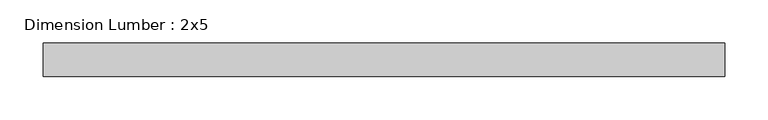
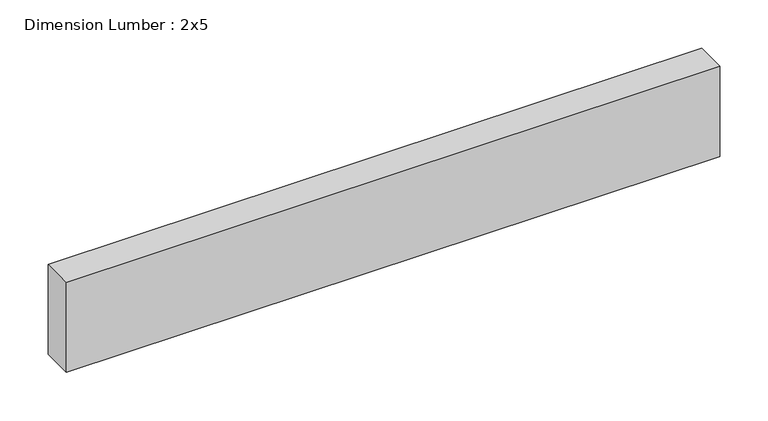
"""IFC4 building model written with IfcOpenShell, lengths in millimetres: beam geometry, Dimension Lumber : 2x5."""

import ifcopenshell
import ifcopenshell.guid

model = None  # the IFC model being written
_history = None  # IfcOwnerHistory: only IFC2X3 demands one
_inside = {}  # id of a spatial element -> (the spatial element, [elements in it])
_under = {}  # id of a project, library or spatial element -> (it, [spatial elements below it])
_declared = {}  # id of a project -> (the project, [libraries it declares])
_typed = {}  # id of a type object -> (the type object, [elements of that type])
_made_of = {}  # id of a material, layer set ... -> (it, [elements and type objects made of it])


def new_model(schema):
    """Start an empty IFC model of exactly this schema.

    Asked for "IFC4X3", IfcOpenShell would pick the latest addendum, in which some entities
    have other attributes; the version numbers below select the first issue.
    IFC2X3 requires an IfcOwnerHistory on every rooted entity: one is made here for all.
    """
    global model, _history
    if schema == "IFC4X3":
        model = ifcopenshell.file(schema_version=(4, 3, 0, 0))
    else:
        model = ifcopenshell.file(schema=schema)
    _inside.clear()
    _under.clear()
    _declared.clear()
    _typed.clear()
    _made_of.clear()
    _history = None
    if model.schema == "IFC2X3":
        org = make("IfcOrganization", Name="unknown")
        user = make(
            "IfcPersonAndOrganization",
            ThePerson=make("IfcPerson", FamilyName="unknown"),
            TheOrganization=org,
        )
        app = make(
            "IfcApplication",
            ApplicationDeveloper=org,
            Version="unknown",
            ApplicationFullName="unknown",
            ApplicationIdentifier="unknown",
        )
        _history = make(
            "IfcOwnerHistory",
            OwningUser=user,
            OwningApplication=app,
            ChangeAction="ADDED",
            CreationDate=0,
        )
    return model


def make(cls, **values):
    """One entity of the class cls with the attributes given. An attribute that is None is left unset."""
    return model.create_entity(
        cls, **{name: value for name, value in values.items() if value is not None}
    )


def rooted(cls, **values):
    """An entity with a GlobalId (a new one), such as an element, a storey or a relation."""
    return make(cls, GlobalId=ifcopenshell.guid.new(), OwnerHistory=_history, **values)


def si_unit(unit_type, name, prefix=None):
    """IfcSIUnit, for example si_unit("LENGTHUNIT", "METRE", prefix="MILLI")."""
    return make("IfcSIUnit", UnitType=unit_type, Prefix=prefix, Name=name)


def assignment(units):
    """IfcUnitAssignment: the units of a project."""
    return None if units is None else make("IfcUnitAssignment", Units=units)


def point(xyz):
    """IfcCartesianPoint."""
    return None if xyz is None else make("IfcCartesianPoint", Coordinates=xyz)


def direction(xyz):
    """IfcDirection."""
    return None if xyz is None else make("IfcDirection", DirectionRatios=xyz)


def frame(location, z_axis=None, x_axis=None):
    """IfcAxis2Placement3D, a coordinate frame: its origin and axes. An axis left out is left unset."""
    return make(
        "IfcAxis2Placement3D",
        Location=point(location),
        Axis=direction(z_axis),
        RefDirection=direction(x_axis),
    )


def origin():
    """The frame at (0, 0, 0) with its axes left unset."""
    return frame((0.0, 0.0, 0.0))


def place(relative_to, where):
    """IfcLocalPlacement: puts the frame where relative to a parent placement (None: the world)."""
    return make(
        "IfcLocalPlacement", PlacementRelTo=relative_to, RelativePlacement=where
    )


def context(
    kind, dimensions, precision=None, world=None, true_north=None, identifier=None
):
    """IfcGeometricRepresentationContext, for example the 3D "Model" context."""
    return make(
        "IfcGeometricRepresentationContext",
        ContextIdentifier=identifier,
        ContextType=kind,
        CoordinateSpaceDimension=dimensions,
        Precision=precision,
        WorldCoordinateSystem=world,
        TrueNorth=true_north,
    )


def project(units=None, contexts=None):
    """IfcProject with its units and contexts."""
    return rooted(
        "IfcProject",
        Name="project",
        RepresentationContexts=contexts,
        UnitsInContext=assignment(units),
    )


def spatial(cls, under=None, at=None, **own):
    """A site, building, storey or space (cls), placed at a placement, below another one or the project."""
    s = rooted(cls, ObjectPlacement=at, **own)
    if under is not None:
        _under.setdefault(under.id(), (under, []))[1].append(s)
    return s


def polyline(points):
    """IfcPolyline through the points."""
    return make("IfcPolyline", Points=[point(p) for p in points])


def outline(outer, holes=None, kind="AREA"):
    """IfcArbitraryClosedProfileDef: a profile drawn as a closed curve; with holes, ...WithVoids."""
    if holes is None:
        return make("IfcArbitraryClosedProfileDef", ProfileType=kind, OuterCurve=outer)
    return make(
        "IfcArbitraryProfileDefWithVoids",
        ProfileType=kind,
        OuterCurve=outer,
        InnerCurves=holes,
    )


def extrude(swept, where, along, depth):
    """IfcExtrudedAreaSolid: the profile swept, set in the frame where, extruded along a direction by depth."""
    return make(
        "IfcExtrudedAreaSolid",
        SweptArea=swept,
        Position=where,
        ExtrudedDirection=direction(along),
        Depth=depth,
    )


def shape(context_of_items, identifier, shape_type, items):
    """IfcShapeRepresentation: the items that make up one representation, for example the "Body"."""
    return make(
        "IfcShapeRepresentation",
        ContextOfItems=context_of_items,
        RepresentationIdentifier=identifier,
        RepresentationType=shape_type,
        Items=items,
    )


def source(mapping_origin, context_of_items, identifier, shape_type, items):
    """IfcRepresentationMap: a shape defined once, which mapped items show again and again."""
    return make(
        "IfcRepresentationMap",
        MappingOrigin=mapping_origin,
        MappedRepresentation=shape(context_of_items, identifier, shape_type, items),
    )


def transform(
    local_origin,
    x_axis=None,
    y_axis=None,
    z_axis=None,
    scale=None,
    scale2=None,
    scale3=None,
    uniform=True,
):
    """IfcCartesianTransformationOperator3D, or its non-uniform kind. x_axis, y_axis, z_axis: its Axis1, 2, 3."""
    if uniform:
        return make(
            "IfcCartesianTransformationOperator3D",
            Axis1=direction(x_axis),
            Axis2=direction(y_axis),
            LocalOrigin=point(local_origin),
            Scale=scale,
            Axis3=direction(z_axis),
        )
    return make(
        "IfcCartesianTransformationOperator3DnonUniform",
        Axis1=direction(x_axis),
        Axis2=direction(y_axis),
        LocalOrigin=point(local_origin),
        Scale=scale,
        Axis3=direction(z_axis),
        Scale2=scale2,
        Scale3=scale3,
    )


def mapped(mapping_source, mapping_target):
    """IfcMappedItem: shows the shape of a source again, moved by a transform."""
    return make(
        "IfcMappedItem", MappingSource=mapping_source, MappingTarget=mapping_target
    )


def made_of(thing, what):
    """Note that an element or type object is made of a material, layer set ...; save() writes the relation."""
    if what is not None:
        _made_of.setdefault(what.id(), (what, []))[1].append(thing)
    return thing


def element(
    cls,
    number,
    at=None,
    inside=None,
    cuts=None,
    type_object=None,
    material=None,
    context=None,
    identifier="Body",
    shape_type=None,
    held_by="IfcProductDefinitionShape",
    body=None,
    shapes=None,
    **own,
):
    """One element of the class cls, such as IfcWall. Its Tag is "e" and its number.

    at: its placement. inside: the storey or other place that contains it. cuts: it is an
    opening in that element (IfcRelVoidsElement). A single representation is given by context,
    identifier, shape_type and body (its items); several are given by shapes. held_by: the class
    of the entity that holds the representations. save() writes the other relations.
    """
    e = rooted(cls, Tag="e%d" % number, ObjectPlacement=at, **own)
    if body is not None:
        shapes = [shape(context, identifier, shape_type, body)]
    if shapes is not None:
        e.Representation = make(held_by, Representations=shapes)
    if inside is not None:
        _inside.setdefault(inside.id(), (inside, []))[1].append(e)
    if cuts is not None:
        rooted(
            "IfcRelVoidsElement", RelatingBuildingElement=cuts, RelatedOpeningElement=e
        )
    if type_object is not None:
        _typed.setdefault(type_object.id(), (type_object, []))[1].append(e)
    return made_of(e, material)


def aggregate(whole, parts):
    """IfcRelAggregates: a whole, such as a stair, and the parts it consists of."""
    return rooted("IfcRelAggregates", RelatingObject=whole, RelatedObjects=parts)


def save(model, path):
    """Write the relations noted so far, then the file.

    IfcRelAggregates (storeys below a building ...), IfcRelContainedInSpatialStructure (elements
    in a storey), IfcRelDefinesByType, IfcRelAssociatesMaterial and IfcRelDeclares: one each for
    every whole, place, type object, material and project.
    """
    for whole, parts in _under.values():
        aggregate(whole, parts)
    for where, things in _inside.values():
        rooted(
            "IfcRelContainedInSpatialStructure",
            RelatedElements=things,
            RelatingStructure=where,
        )
    for kind, things in _typed.values():
        rooted("IfcRelDefinesByType", RelatedObjects=things, RelatingType=kind)
    for what, things in _made_of.values():
        rooted("IfcRelAssociatesMaterial", RelatedObjects=things, RelatingMaterial=what)
    for by, libraries in _declared.values():
        rooted("IfcRelDeclares", RelatingContext=by, RelatedDefinitions=libraries)
    model.write(path)


def dimension_lumber_2x5_103da951(model_context):
    return source(origin(), model_context, "Body", "SweptSolid", [
        extrude(outline(polyline([(391.7842514, 19.05), (391.7842514, -19.05), (-391.7842514, -19.05), (-391.7842514, 19.05), (391.7842514, 19.05)])), frame((0.0, 0.0, -57.15), z_axis=(0.0, 0.0, 1.0), x_axis=(1.0, 0.0, 0.0)), (0.0, 0.0, 1.0), 114.3),
    ])


if __name__ == "__main__":
    model = new_model("IFC4")
    model_context = context("Model", 3, world=origin())
    ifc_project = project(units=[si_unit("LENGTHUNIT", "METRE", prefix="MILLI")], contexts=[model_context])
    site = spatial("IfcSite", under=ifc_project)
    building = spatial("IfcBuilding", under=site)
    placement = place(None, origin())
    dimension_lumber_2x5_shape = dimension_lumber_2x5_103da951(model_context)
    element("IfcBeam", 1, ObjectType="Dimension Lumber : 2x5", at=placement, inside=building, context=model_context, shape_type="MappedRepresentation", body=[
        mapped(dimension_lumber_2x5_shape, transform((0.0, 0.0, 0.0), x_axis=(1.0, 0.0, 0.0), y_axis=(0.0, 1.0, 0.0), z_axis=(0.0, 0.0, 1.0))),
    ])
    save(model, "model.ifc")
